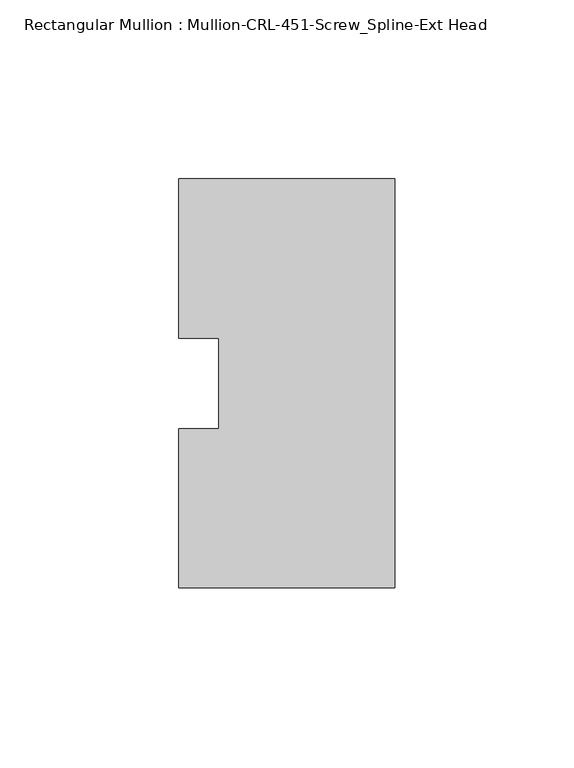
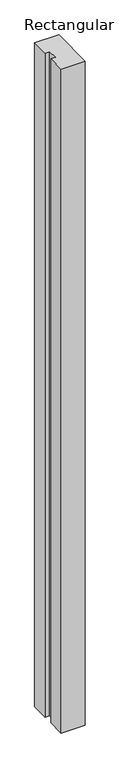
"""IFC4 building model written with IfcOpenShell, lengths in millimetres: member geometry, Rectangular Mullion : Mullion-CRL-451-Screw_Spline-Ext Head."""

from ifc_helpers import new_model, si_unit, frame, origin, place, context, project, spatial, polyline, outline, extrude, source, transform, mapped, element, save


def rectangular_mullion_mullion_crl_451_screw_spline_ext_head_daea2922(model_context):
    return source(origin(), model_context, "Body", "SweptSolid", [
        extrude(outline(polyline([(0.0, -57.15), (-60.3249703, -57.15), (-60.3249703, -12.7), (-49.2124703, -12.7), (-49.2124703, 12.7), (-60.3249703, 12.7), (-60.3249703, 57.15), (0.0, 57.15), (0.0, -57.15)])), frame((0.0, 0.0, -1752.6), z_axis=(0.0, 0.0, 1.0), x_axis=(1.0, 0.0, 0.0)), (0.0, 0.0, 1.0), 1752.6),
    ])


if __name__ == "__main__":
    model = new_model("IFC4")
    model_context = context("Model", 3, world=origin())
    ifc_project = project(units=[si_unit("LENGTHUNIT", "METRE", prefix="MILLI")], contexts=[model_context])
    site = spatial("IfcSite", under=ifc_project)
    building = spatial("IfcBuilding", under=site)
    placement = place(None, origin())
    rectangular_mullion_mullion_crl_451_screw_spline_ext_head_shape = rectangular_mullion_mullion_crl_451_screw_spline_ext_head_daea2922(model_context)
    element("IfcMember", 1, ObjectType="Rectangular Mullion : Mullion-CRL-451-Screw_Spline-Ext Head", at=placement, inside=building, context=model_context, shape_type="MappedRepresentation", body=[
        mapped(rectangular_mullion_mullion_crl_451_screw_spline_ext_head_shape, transform((0.0, 0.0, 0.0), x_axis=(1.0, 0.0, 0.0), y_axis=(0.0, 1.0, 0.0), z_axis=(0.0, 0.0, 1.0))),
    ])
    save(model, "model.ifc")
